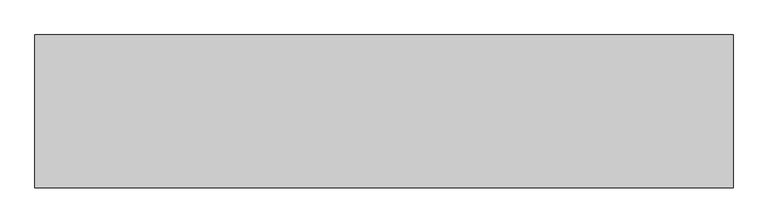
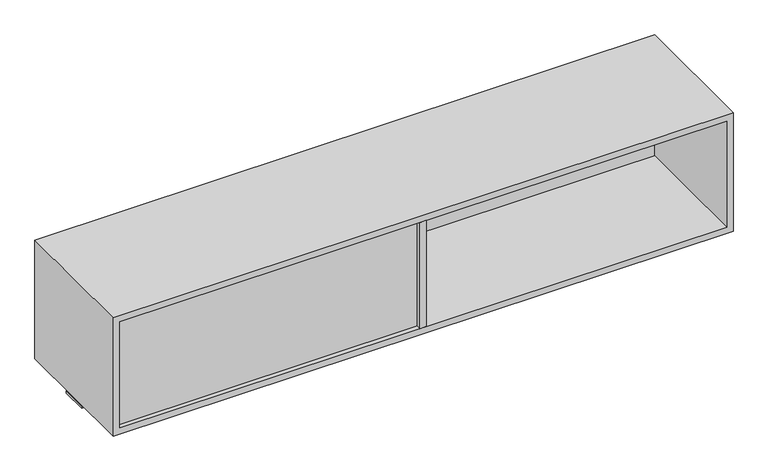
"""IFC4 building model written with IfcOpenShell, lengths in millimetres: furniture geometry."""

from ifc_helpers import new_model, si_unit, frame, origin, place, context, project, spatial, polyline, outline, extrude, source, transform, mapped, element, save


def furniture_42c65f15(model_context):
    return source(origin(), model_context, "Body", "SweptSolid", [
        extrude(outline(polyline([(466.852, -241.2273724), (447.548, -241.2273724), (447.548, 158.8226276), (466.852, 158.8226276), (466.852, -241.2273724)])), frame((0.0, 0.0, 1205.357), z_axis=(0.0, 0.0, 1.0), x_axis=(1.0, 0.0, 0.0)), (0.0, 0.0, 1.0), 330.5048),
        extrude(outline(polyline([(1371.6, -2.0863724), (1371.6, -80.3183724), (-457.2, -80.3183724), (-457.2, -2.0863724), (1371.6, -2.0863724)])), frame((0.0, 0.0, 1175.766), z_axis=(0.0, 0.0, 1.0), x_axis=(1.0, 0.0, 0.0)), (0.0, 0.0, 1.0), 6.858),
        extrude(outline(polyline([(447.548, -208.5832924), (447.548, -227.8872924), (-437.896, -227.8872924), (-437.896, -208.5832924), (447.548, -208.5832924)])), frame((0.0, 0.0, 1205.357), z_axis=(0.0, 0.0, 1.0), x_axis=(1.0, 0.0, 0.0)), (0.0, 0.0, 1.0), 330.5048),
        extrude(outline(polyline([(1352.296, 145.5282676), (1352.296, 126.2242676), (466.852, 126.2242676), (466.852, 145.5282676), (1352.296, 145.5282676)])), frame((0.0, 0.0, 1205.357), z_axis=(0.0, 0.0, 1.0), x_axis=(1.0, 0.0, 0.0)), (0.0, 0.0, 1.0), 330.5048),
        extrude(outline(polyline([(1555.1658, -457.2), (1186.053, -457.2), (1186.053, 1371.6), (1555.1658, 1371.6), (1555.1658, -457.2)]), holes=[polyline([(1535.8618, -437.896), (1535.8618, 1352.296), (1205.357, 1352.296), (1205.357, -437.896), (1535.8618, -437.896)])]), frame((0.0, -241.2273724, 0.0), z_axis=(0.0, 1.0, 0.0), x_axis=(0.0, 0.0, 1.0)), (0.0, 0.0, 1.0), 400.05),
        extrude(outline(polyline([(466.852, -241.2273724), (447.548, -241.2273724), (447.548, 158.8226276), (466.852, 158.8226276), (466.852, -241.2273724)])), frame((0.0, 0.0, 1205.357), z_axis=(0.0, 0.0, 1.0), x_axis=(1.0, 0.0, 0.0)), (0.0, 0.0, 1.0), 330.5048),
    ])


if __name__ == "__main__":
    model = new_model("IFC4")
    model_context = context("Model", 3, world=origin())
    ifc_project = project(units=[si_unit("LENGTHUNIT", "METRE", prefix="MILLI")], contexts=[model_context])
    site = spatial("IfcSite", under=ifc_project)
    building = spatial("IfcBuilding", under=site)
    placement = place(None, origin())
    furniture_shape = furniture_42c65f15(model_context)
    element("IfcFurniture", 1, at=placement, inside=building, context=model_context, shape_type="MappedRepresentation", body=[
        mapped(furniture_shape, transform((0.0, 0.0, 0.0), x_axis=(1.0, 0.0, 0.0), y_axis=(0.0, 1.0, 0.0), z_axis=(0.0, 0.0, 1.0))),
    ])
    save(model, "model.ifc")
